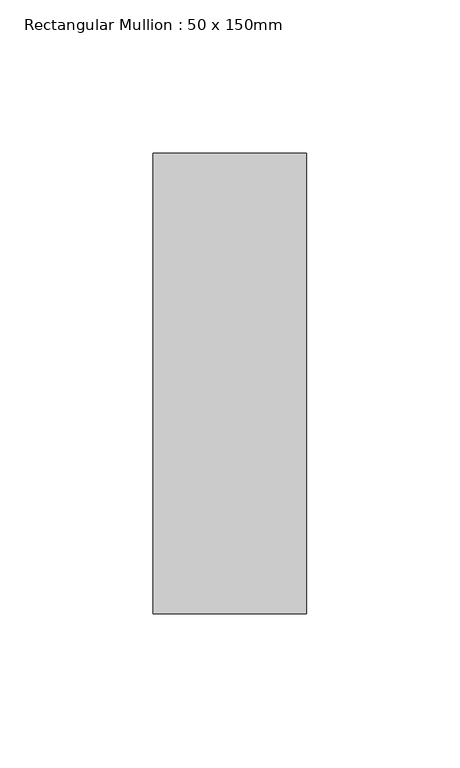
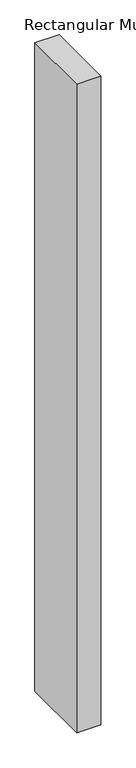
"""IFC4 building model written with IfcOpenShell, lengths in millimetres: member geometry, Rectangular Mullion : 50 x 150mm."""

from ifc_helpers import new_model, si_unit, frame, origin, place, context, project, spatial, polyline, outline, extrude, source, transform, mapped, element, save


def rectangular_mullion_50_x_150mm_c0f0cbb4(model_context):
    return source(origin(), model_context, "Body", "SweptSolid", [
        extrude(outline(polyline([(25.0, 75.0), (25.0, -75.0), (-25.0, -75.0), (-25.0, 75.0), (25.0, 75.0)])), frame((0.0, 0.0, -1422.0666837), z_axis=(0.0, 0.0, 1.0), x_axis=(1.0, 0.0, 0.0)), (0.0, 0.0, 1.0), 1422.0666837),
    ])


if __name__ == "__main__":
    model = new_model("IFC4")
    model_context = context("Model", 3, world=origin())
    ifc_project = project(units=[si_unit("LENGTHUNIT", "METRE", prefix="MILLI")], contexts=[model_context])
    site = spatial("IfcSite", under=ifc_project)
    building = spatial("IfcBuilding", under=site)
    placement = place(None, origin())
    rectangular_mullion_50_x_150mm_shape = rectangular_mullion_50_x_150mm_c0f0cbb4(model_context)
    element("IfcMember", 1, ObjectType="Rectangular Mullion : 50 x 150mm", at=placement, inside=building, context=model_context, shape_type="MappedRepresentation", body=[
        mapped(rectangular_mullion_50_x_150mm_shape, transform((0.0, 0.0, 0.0), x_axis=(1.0, 0.0, 0.0), y_axis=(0.0, 1.0, 0.0), z_axis=(0.0, 0.0, 1.0))),
    ])
    save(model, "model.ifc")
